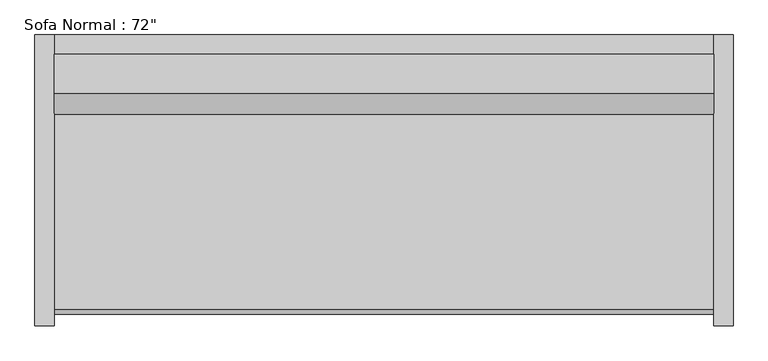
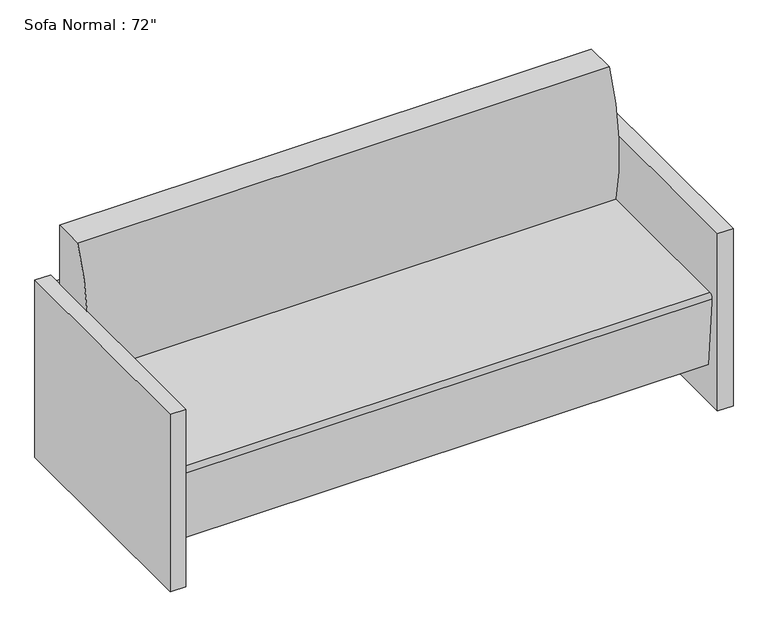
"""IFC4 building model written with IfcOpenShell, lengths in millimetres: furniture geometry."""

import ifcopenshell
import ifcopenshell.guid

model = None  # the IFC model being written
_history = None  # IfcOwnerHistory: only IFC2X3 demands one
_inside = {}  # id of a spatial element -> (the spatial element, [elements in it])
_under = {}  # id of a project, library or spatial element -> (it, [spatial elements below it])
_declared = {}  # id of a project -> (the project, [libraries it declares])
_typed = {}  # id of a type object -> (the type object, [elements of that type])
_made_of = {}  # id of a material, layer set ... -> (it, [elements and type objects made of it])


def new_model(schema):
    """Start an empty IFC model of exactly this schema.

    Asked for "IFC4X3", IfcOpenShell would pick the latest addendum, in which some entities
    have other attributes; the version numbers below select the first issue.
    IFC2X3 requires an IfcOwnerHistory on every rooted entity: one is made here for all.
    """
    global model, _history
    if schema == "IFC4X3":
        model = ifcopenshell.file(schema_version=(4, 3, 0, 0))
    else:
        model = ifcopenshell.file(schema=schema)
    _inside.clear()
    _under.clear()
    _declared.clear()
    _typed.clear()
    _made_of.clear()
    _history = None
    if model.schema == "IFC2X3":
        org = make("IfcOrganization", Name="unknown")
        user = make(
            "IfcPersonAndOrganization",
            ThePerson=make("IfcPerson", FamilyName="unknown"),
            TheOrganization=org,
        )
        app = make(
            "IfcApplication",
            ApplicationDeveloper=org,
            Version="unknown",
            ApplicationFullName="unknown",
            ApplicationIdentifier="unknown",
        )
        _history = make(
            "IfcOwnerHistory",
            OwningUser=user,
            OwningApplication=app,
            ChangeAction="ADDED",
            CreationDate=0,
        )
    return model


def make(cls, **values):
    """One entity of the class cls with the attributes given. An attribute that is None is left unset."""
    return model.create_entity(
        cls, **{name: value for name, value in values.items() if value is not None}
    )


def rooted(cls, **values):
    """An entity with a GlobalId (a new one), such as an element, a storey or a relation."""
    return make(cls, GlobalId=ifcopenshell.guid.new(), OwnerHistory=_history, **values)


def si_unit(unit_type, name, prefix=None):
    """IfcSIUnit, for example si_unit("LENGTHUNIT", "METRE", prefix="MILLI")."""
    return make("IfcSIUnit", UnitType=unit_type, Prefix=prefix, Name=name)


def assignment(units):
    """IfcUnitAssignment: the units of a project."""
    return None if units is None else make("IfcUnitAssignment", Units=units)


def point(xyz):
    """IfcCartesianPoint."""
    return None if xyz is None else make("IfcCartesianPoint", Coordinates=xyz)


def direction(xyz):
    """IfcDirection."""
    return None if xyz is None else make("IfcDirection", DirectionRatios=xyz)


def frame(location, z_axis=None, x_axis=None):
    """IfcAxis2Placement3D, a coordinate frame: its origin and axes. An axis left out is left unset."""
    return make(
        "IfcAxis2Placement3D",
        Location=point(location),
        Axis=direction(z_axis),
        RefDirection=direction(x_axis),
    )


def frame_2d(location, x_axis=None):
    """IfcAxis2Placement2D, a coordinate frame in the plane: its origin and x axis."""
    return make(
        "IfcAxis2Placement2D", Location=point(location), RefDirection=direction(x_axis)
    )


def origin():
    """The frame at (0, 0, 0) with its axes left unset."""
    return frame((0.0, 0.0, 0.0))


def origin_with_axes():
    """The frame at (0, 0, 0) with the z axis (0, 0, 1) and the x axis (1, 0, 0) written out."""
    return frame((0.0, 0.0, 0.0), z_axis=(0.0, 0.0, 1.0), x_axis=(1.0, 0.0, 0.0))


def place(relative_to, where):
    """IfcLocalPlacement: puts the frame where relative to a parent placement (None: the world)."""
    return make(
        "IfcLocalPlacement", PlacementRelTo=relative_to, RelativePlacement=where
    )


def context(
    kind, dimensions, precision=None, world=None, true_north=None, identifier=None
):
    """IfcGeometricRepresentationContext, for example the 3D "Model" context."""
    return make(
        "IfcGeometricRepresentationContext",
        ContextIdentifier=identifier,
        ContextType=kind,
        CoordinateSpaceDimension=dimensions,
        Precision=precision,
        WorldCoordinateSystem=world,
        TrueNorth=true_north,
    )


def project(units=None, contexts=None):
    """IfcProject with its units and contexts."""
    return rooted(
        "IfcProject",
        Name="project",
        RepresentationContexts=contexts,
        UnitsInContext=assignment(units),
    )


def spatial(cls, under=None, at=None, **own):
    """A site, building, storey or space (cls), placed at a placement, below another one or the project."""
    s = rooted(cls, ObjectPlacement=at, **own)
    if under is not None:
        _under.setdefault(under.id(), (under, []))[1].append(s)
    return s


def polyline(points):
    """IfcPolyline through the points."""
    return make("IfcPolyline", Points=[point(p) for p in points])


def circle_curve(where, radius):
    """IfcCircle in the frame where."""
    return make("IfcCircle", Position=where, Radius=radius)


def trimmed(basis, trim1, trim2, sense, master):
    """IfcTrimmedCurve: the piece of a basis curve between two trims."""
    return make(
        "IfcTrimmedCurve",
        BasisCurve=basis,
        Trim1=trim1,
        Trim2=trim2,
        SenseAgreement=sense,
        MasterRepresentation=master,
    )


def segment(curve, same_sense, transition):
    """IfcCompositeCurveSegment."""
    return make(
        "IfcCompositeCurveSegment",
        Transition=transition,
        SameSense=same_sense,
        ParentCurve=curve,
    )


def composite_curve(segments, self_intersect=None):
    """IfcCompositeCurve: segments joined end to end."""
    return make("IfcCompositeCurve", Segments=segments, SelfIntersect=self_intersect)


def outline(outer, holes=None, kind="AREA"):
    """IfcArbitraryClosedProfileDef: a profile drawn as a closed curve; with holes, ...WithVoids."""
    if holes is None:
        return make("IfcArbitraryClosedProfileDef", ProfileType=kind, OuterCurve=outer)
    return make(
        "IfcArbitraryProfileDefWithVoids",
        ProfileType=kind,
        OuterCurve=outer,
        InnerCurves=holes,
    )


def extrude(swept, where, along, depth):
    """IfcExtrudedAreaSolid: the profile swept, set in the frame where, extruded along a direction by depth."""
    return make(
        "IfcExtrudedAreaSolid",
        SweptArea=swept,
        Position=where,
        ExtrudedDirection=direction(along),
        Depth=depth,
    )


def shape(context_of_items, identifier, shape_type, items):
    """IfcShapeRepresentation: the items that make up one representation, for example the "Body"."""
    return make(
        "IfcShapeRepresentation",
        ContextOfItems=context_of_items,
        RepresentationIdentifier=identifier,
        RepresentationType=shape_type,
        Items=items,
    )


def source(mapping_origin, context_of_items, identifier, shape_type, items):
    """IfcRepresentationMap: a shape defined once, which mapped items show again and again."""
    return make(
        "IfcRepresentationMap",
        MappingOrigin=mapping_origin,
        MappedRepresentation=shape(context_of_items, identifier, shape_type, items),
    )


def transform(
    local_origin,
    x_axis=None,
    y_axis=None,
    z_axis=None,
    scale=None,
    scale2=None,
    scale3=None,
    uniform=True,
):
    """IfcCartesianTransformationOperator3D, or its non-uniform kind. x_axis, y_axis, z_axis: its Axis1, 2, 3."""
    if uniform:
        return make(
            "IfcCartesianTransformationOperator3D",
            Axis1=direction(x_axis),
            Axis2=direction(y_axis),
            LocalOrigin=point(local_origin),
            Scale=scale,
            Axis3=direction(z_axis),
        )
    return make(
        "IfcCartesianTransformationOperator3DnonUniform",
        Axis1=direction(x_axis),
        Axis2=direction(y_axis),
        LocalOrigin=point(local_origin),
        Scale=scale,
        Axis3=direction(z_axis),
        Scale2=scale2,
        Scale3=scale3,
    )


def mapped(mapping_source, mapping_target):
    """IfcMappedItem: shows the shape of a source again, moved by a transform."""
    return make(
        "IfcMappedItem", MappingSource=mapping_source, MappingTarget=mapping_target
    )


def made_of(thing, what):
    """Note that an element or type object is made of a material, layer set ...; save() writes the relation."""
    if what is not None:
        _made_of.setdefault(what.id(), (what, []))[1].append(thing)
    return thing


def element(
    cls,
    number,
    at=None,
    inside=None,
    cuts=None,
    type_object=None,
    material=None,
    context=None,
    identifier="Body",
    shape_type=None,
    held_by="IfcProductDefinitionShape",
    body=None,
    shapes=None,
    **own,
):
    """One element of the class cls, such as IfcWall. Its Tag is "e" and its number.

    at: its placement. inside: the storey or other place that contains it. cuts: it is an
    opening in that element (IfcRelVoidsElement). A single representation is given by context,
    identifier, shape_type and body (its items); several are given by shapes. held_by: the class
    of the entity that holds the representations. save() writes the other relations.
    """
    e = rooted(cls, Tag="e%d" % number, ObjectPlacement=at, **own)
    if body is not None:
        shapes = [shape(context, identifier, shape_type, body)]
    if shapes is not None:
        e.Representation = make(held_by, Representations=shapes)
    if inside is not None:
        _inside.setdefault(inside.id(), (inside, []))[1].append(e)
    if cuts is not None:
        rooted(
            "IfcRelVoidsElement", RelatingBuildingElement=cuts, RelatedOpeningElement=e
        )
    if type_object is not None:
        _typed.setdefault(type_object.id(), (type_object, []))[1].append(e)
    return made_of(e, material)


def aggregate(whole, parts):
    """IfcRelAggregates: a whole, such as a stair, and the parts it consists of."""
    return rooted("IfcRelAggregates", RelatingObject=whole, RelatedObjects=parts)


def save(model, path):
    """Write the relations noted so far, then the file.

    IfcRelAggregates (storeys below a building ...), IfcRelContainedInSpatialStructure (elements
    in a storey), IfcRelDefinesByType, IfcRelAssociatesMaterial and IfcRelDeclares: one each for
    every whole, place, type object, material and project.
    """
    for whole, parts in _under.values():
        aggregate(whole, parts)
    for where, things in _inside.values():
        rooted(
            "IfcRelContainedInSpatialStructure",
            RelatedElements=things,
            RelatingStructure=where,
        )
    for kind, things in _typed.values():
        rooted("IfcRelDefinesByType", RelatedObjects=things, RelatingType=kind)
    for what, things in _made_of.values():
        rooted("IfcRelAssociatesMaterial", RelatedObjects=things, RelatingMaterial=what)
    for by, libraries in _declared.values():
        rooted("IfcRelDeclares", RelatingContext=by, RelatedDefinitions=libraries)
    model.write(path)


def furniture_5306c31f(model_context):
    return source(origin(), model_context, "Body", "SweptSolid", [
        extrude(outline(composite_curve([segment(trimmed(circle_curve(frame_2d((977.317198, 542.5300036)), 660.4), [point((336.9764935, 381.0))], [point((374.7540984, 812.8))], False, "CARTESIAN"), True, "CONTINUOUS"), segment(polyline([(374.7540984, 812.8), (476.3540984, 812.8), (476.3540984, 127.9665467), (-184.0459016, 127.9665467), (-204.975515, 367.1931221)]), True, "CONTINUOUS"), segment(trimmed(circle_curve(frame_2d((-192.3238423, 368.3)), 12.7), [point((-204.975515, 367.1931221))], [point((-192.3238423, 381.0))], False, "CARTESIAN"), True, "CONTINUOUS"), segment(polyline([(-192.3238423, 381.0), (336.9764935, 381.0)]), True, "CONTINUOUS")], self_intersect=False)), frame((-793.2295082, 0.0, 0.0), z_axis=(1.0, 0.0, 0.0), x_axis=(0.0, 1.0, 0.0)), (0.0, 0.0, 1.0), 1727.2),
        extrude(outline(polyline([(-793.2295082, 476.3540984), (-793.2295082, 527.1540984), (933.9704918, 527.1540984), (933.9704918, 476.3540984), (-793.2295082, 476.3540984)])), frame((0.0, 0.0, 457.2), z_axis=(0.0, 0.0, 1.0), x_axis=(1.0, 0.0, 0.0)), (0.0, 0.0, 1.0), 127.0),
        extrude(outline(polyline([(-793.2295082, 476.3540984), (-793.2295082, 527.1540984), (933.9704918, 527.1540984), (933.9704918, 476.3540984), (-793.2295082, 476.3540984)])), frame((0.0, 0.0, 266.7), z_axis=(0.0, 0.0, 1.0), x_axis=(1.0, 0.0, 0.0)), (0.0, 0.0, 1.0), 127.0),
        extrude(outline(polyline([(-793.2295082, 476.3540984), (-793.2295082, 527.1540984), (933.9704918, 527.1540984), (933.9704918, 476.3540984), (-793.2295082, 476.3540984)])), frame((0.0, 0.0, 76.2), z_axis=(0.0, 0.0, 1.0), x_axis=(1.0, 0.0, 0.0)), (0.0, 0.0, 1.0), 127.0),
        extrude(outline(polyline([(-844.0295082, 527.1540984), (-793.2295082, 527.1540984), (-793.2295082, -234.8459016), (-844.0295082, -234.8459016), (-844.0295082, 527.1540984)])), origin_with_axes(), (0.0, 0.0, 1.0), 609.6),
        extrude(outline(polyline([(984.7704918, 527.1540984), (984.7704918, -234.8459016), (933.9704918, -234.8459016), (933.9704918, 527.1540984), (984.7704918, 527.1540984)])), origin_with_axes(), (0.0, 0.0, 1.0), 609.6),
    ])


if __name__ == "__main__":
    model = new_model("IFC4")
    model_context = context("Model", 3, world=origin())
    ifc_project = project(units=[si_unit("LENGTHUNIT", "METRE", prefix="MILLI")], contexts=[model_context])
    site = spatial("IfcSite", under=ifc_project)
    building = spatial("IfcBuilding", under=site)
    placement = place(None, origin())
    furniture_shape = furniture_5306c31f(model_context)
    element("IfcFurniture", 1, ObjectType="Sofa Normal : 72\"", at=placement, inside=building, context=model_context, shape_type="MappedRepresentation", body=[
        mapped(furniture_shape, transform((0.0, 0.0, 0.0), x_axis=(1.0, 0.0, 0.0), y_axis=(0.0, 1.0, 0.0), z_axis=(0.0, 0.0, 1.0))),
    ])
    save(model, "model.ifc")
